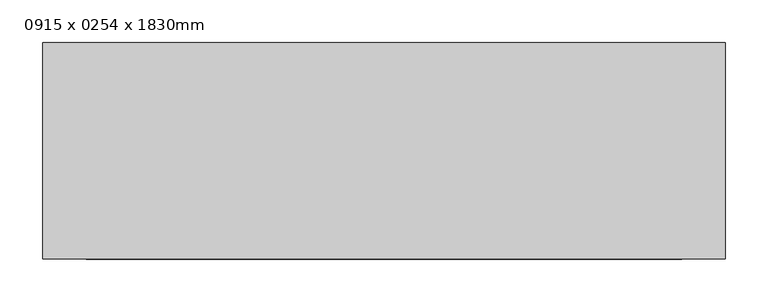
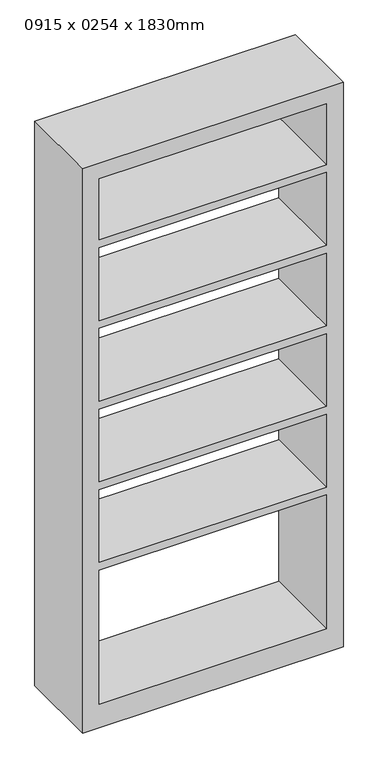
"""IFC4 building model written with IfcOpenShell, lengths in millimetres: furniture geometry, 0915 x 0254 x 1830mm."""

from ifc_helpers import new_model, si_unit, frame, origin, place, context, project, spatial, polyline, outline, extrude, source, transform, mapped, element, save


def furniture_0915_x_0254_x_1830mm_fc6d192b(model_context):
    return source(origin(), model_context, "Body", "SweptSolid", [
        extrude(outline(polyline([(0.0, 400.0), (1830.0, 400.0), (1830.0, -400.0), (0.0, -400.0), (0.0, 400.0)]), holes=[polyline([(1779.2, 349.2), (1581.2714286, 349.2), (1581.2714286, -349.2), (1779.2, -349.2), (1779.2, 349.2)]), polyline([(76.2, 349.2), (76.2, -349.2), (510.1571429, -349.2), (510.1571429, 349.2), (76.2, 349.2)]), polyline([(1058.4142857, -349.2), (1294.4428571, -349.2), (1294.4428571, 349.2), (1058.4142857, 349.2), (1058.4142857, -349.2)]), polyline([(1555.8714286, 349.2), (1319.8428571, 349.2), (1319.8428571, -349.2), (1555.8714286, -349.2), (1555.8714286, 349.2)]), polyline([(1033.0142857, 349.2), (796.9857143, 349.2), (796.9857143, -349.2), (1033.0142857, -349.2), (1033.0142857, 349.2)]), polyline([(771.5857143, 349.2), (535.5571429, 349.2), (535.5571429, -349.2), (771.5857143, -349.2), (771.5857143, 349.2)])]), frame((0.0, -431.8, 0.0), z_axis=(0.0, 1.0, 0.0), x_axis=(0.0, 0.0, 1.0)), (0.0, 0.0, 1.0), 254.0),
    ])


if __name__ == "__main__":
    model = new_model("IFC4")
    model_context = context("Model", 3, world=origin())
    ifc_project = project(units=[si_unit("LENGTHUNIT", "METRE", prefix="MILLI")], contexts=[model_context])
    site = spatial("IfcSite", under=ifc_project)
    building = spatial("IfcBuilding", under=site)
    placement = place(None, origin())
    furniture_0915_x_0254_x_1830mm_shape = furniture_0915_x_0254_x_1830mm_fc6d192b(model_context)
    element("IfcFurniture", 1, ObjectType="0915 x 0254 x 1830mm", at=placement, inside=building, context=model_context, shape_type="MappedRepresentation", body=[
        mapped(furniture_0915_x_0254_x_1830mm_shape, transform((0.0, 0.0, 0.0), x_axis=(1.0, 0.0, 0.0), y_axis=(0.0, 1.0, 0.0), z_axis=(0.0, 0.0, 1.0))),
    ])
    save(model, "model.ifc")
